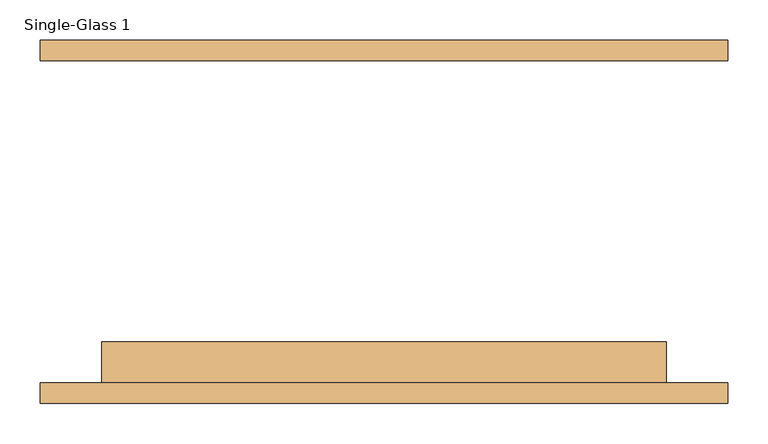
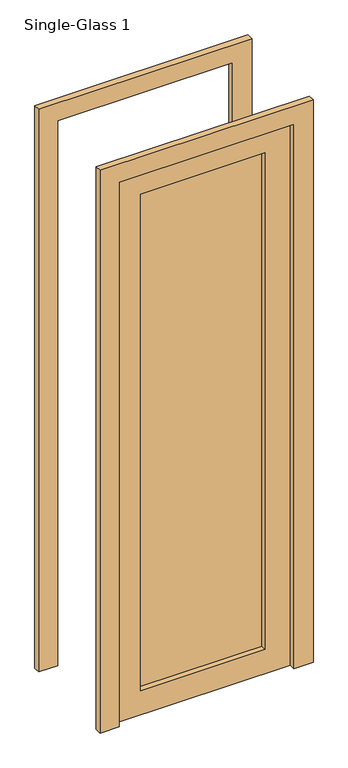
"""IFC4 building model written with IfcOpenShell, lengths in millimetres: door geometry, Single-Glass 1."""

import ifcopenshell
import ifcopenshell.guid

model = None  # the IFC model being written
_history = None  # IfcOwnerHistory: only IFC2X3 demands one
_inside = {}  # id of a spatial element -> (the spatial element, [elements in it])
_under = {}  # id of a project, library or spatial element -> (it, [spatial elements below it])
_declared = {}  # id of a project -> (the project, [libraries it declares])
_typed = {}  # id of a type object -> (the type object, [elements of that type])
_made_of = {}  # id of a material, layer set ... -> (it, [elements and type objects made of it])


def new_model(schema):
    """Start an empty IFC model of exactly this schema.

    Asked for "IFC4X3", IfcOpenShell would pick the latest addendum, in which some entities
    have other attributes; the version numbers below select the first issue.
    IFC2X3 requires an IfcOwnerHistory on every rooted entity: one is made here for all.
    """
    global model, _history
    if schema == "IFC4X3":
        model = ifcopenshell.file(schema_version=(4, 3, 0, 0))
    else:
        model = ifcopenshell.file(schema=schema)
    _inside.clear()
    _under.clear()
    _declared.clear()
    _typed.clear()
    _made_of.clear()
    _history = None
    if model.schema == "IFC2X3":
        org = make("IfcOrganization", Name="unknown")
        user = make(
            "IfcPersonAndOrganization",
            ThePerson=make("IfcPerson", FamilyName="unknown"),
            TheOrganization=org,
        )
        app = make(
            "IfcApplication",
            ApplicationDeveloper=org,
            Version="unknown",
            ApplicationFullName="unknown",
            ApplicationIdentifier="unknown",
        )
        _history = make(
            "IfcOwnerHistory",
            OwningUser=user,
            OwningApplication=app,
            ChangeAction="ADDED",
            CreationDate=0,
        )
    return model


def make(cls, **values):
    """One entity of the class cls with the attributes given. An attribute that is None is left unset."""
    return model.create_entity(
        cls, **{name: value for name, value in values.items() if value is not None}
    )


def rooted(cls, **values):
    """An entity with a GlobalId (a new one), such as an element, a storey or a relation."""
    return make(cls, GlobalId=ifcopenshell.guid.new(), OwnerHistory=_history, **values)


def si_unit(unit_type, name, prefix=None):
    """IfcSIUnit, for example si_unit("LENGTHUNIT", "METRE", prefix="MILLI")."""
    return make("IfcSIUnit", UnitType=unit_type, Prefix=prefix, Name=name)


def assignment(units):
    """IfcUnitAssignment: the units of a project."""
    return None if units is None else make("IfcUnitAssignment", Units=units)


def point(xyz):
    """IfcCartesianPoint."""
    return None if xyz is None else make("IfcCartesianPoint", Coordinates=xyz)


def direction(xyz):
    """IfcDirection."""
    return None if xyz is None else make("IfcDirection", DirectionRatios=xyz)


def frame(location, z_axis=None, x_axis=None):
    """IfcAxis2Placement3D, a coordinate frame: its origin and axes. An axis left out is left unset."""
    return make(
        "IfcAxis2Placement3D",
        Location=point(location),
        Axis=direction(z_axis),
        RefDirection=direction(x_axis),
    )


def origin():
    """The frame at (0, 0, 0) with its axes left unset."""
    return frame((0.0, 0.0, 0.0))


def place(relative_to, where):
    """IfcLocalPlacement: puts the frame where relative to a parent placement (None: the world)."""
    return make(
        "IfcLocalPlacement", PlacementRelTo=relative_to, RelativePlacement=where
    )


def context(
    kind, dimensions, precision=None, world=None, true_north=None, identifier=None
):
    """IfcGeometricRepresentationContext, for example the 3D "Model" context."""
    return make(
        "IfcGeometricRepresentationContext",
        ContextIdentifier=identifier,
        ContextType=kind,
        CoordinateSpaceDimension=dimensions,
        Precision=precision,
        WorldCoordinateSystem=world,
        TrueNorth=true_north,
    )


def project(units=None, contexts=None):
    """IfcProject with its units and contexts."""
    return rooted(
        "IfcProject",
        Name="project",
        RepresentationContexts=contexts,
        UnitsInContext=assignment(units),
    )


def spatial(cls, under=None, at=None, **own):
    """A site, building, storey or space (cls), placed at a placement, below another one or the project."""
    s = rooted(cls, ObjectPlacement=at, **own)
    if under is not None:
        _under.setdefault(under.id(), (under, []))[1].append(s)
    return s


def polyline(points):
    """IfcPolyline through the points."""
    return make("IfcPolyline", Points=[point(p) for p in points])


def outline(outer, holes=None, kind="AREA"):
    """IfcArbitraryClosedProfileDef: a profile drawn as a closed curve; with holes, ...WithVoids."""
    if holes is None:
        return make("IfcArbitraryClosedProfileDef", ProfileType=kind, OuterCurve=outer)
    return make(
        "IfcArbitraryProfileDefWithVoids",
        ProfileType=kind,
        OuterCurve=outer,
        InnerCurves=holes,
    )


def extrude(swept, where, along, depth):
    """IfcExtrudedAreaSolid: the profile swept, set in the frame where, extruded along a direction by depth."""
    return make(
        "IfcExtrudedAreaSolid",
        SweptArea=swept,
        Position=where,
        ExtrudedDirection=direction(along),
        Depth=depth,
    )


def shape(context_of_items, identifier, shape_type, items):
    """IfcShapeRepresentation: the items that make up one representation, for example the "Body"."""
    return make(
        "IfcShapeRepresentation",
        ContextOfItems=context_of_items,
        RepresentationIdentifier=identifier,
        RepresentationType=shape_type,
        Items=items,
    )


def source(mapping_origin, context_of_items, identifier, shape_type, items):
    """IfcRepresentationMap: a shape defined once, which mapped items show again and again."""
    return make(
        "IfcRepresentationMap",
        MappingOrigin=mapping_origin,
        MappedRepresentation=shape(context_of_items, identifier, shape_type, items),
    )


def transform(
    local_origin,
    x_axis=None,
    y_axis=None,
    z_axis=None,
    scale=None,
    scale2=None,
    scale3=None,
    uniform=True,
):
    """IfcCartesianTransformationOperator3D, or its non-uniform kind. x_axis, y_axis, z_axis: its Axis1, 2, 3."""
    if uniform:
        return make(
            "IfcCartesianTransformationOperator3D",
            Axis1=direction(x_axis),
            Axis2=direction(y_axis),
            LocalOrigin=point(local_origin),
            Scale=scale,
            Axis3=direction(z_axis),
        )
    return make(
        "IfcCartesianTransformationOperator3DnonUniform",
        Axis1=direction(x_axis),
        Axis2=direction(y_axis),
        LocalOrigin=point(local_origin),
        Scale=scale,
        Axis3=direction(z_axis),
        Scale2=scale2,
        Scale3=scale3,
    )


def mapped(mapping_source, mapping_target):
    """IfcMappedItem: shows the shape of a source again, moved by a transform."""
    return make(
        "IfcMappedItem", MappingSource=mapping_source, MappingTarget=mapping_target
    )


def made_of(thing, what):
    """Note that an element or type object is made of a material, layer set ...; save() writes the relation."""
    if what is not None:
        _made_of.setdefault(what.id(), (what, []))[1].append(thing)
    return thing


def element(
    cls,
    number,
    at=None,
    inside=None,
    cuts=None,
    type_object=None,
    material=None,
    context=None,
    identifier="Body",
    shape_type=None,
    held_by="IfcProductDefinitionShape",
    body=None,
    shapes=None,
    **own,
):
    """One element of the class cls, such as IfcWall. Its Tag is "e" and its number.

    at: its placement. inside: the storey or other place that contains it. cuts: it is an
    opening in that element (IfcRelVoidsElement). A single representation is given by context,
    identifier, shape_type and body (its items); several are given by shapes. held_by: the class
    of the entity that holds the representations. save() writes the other relations.
    """
    e = rooted(cls, Tag="e%d" % number, ObjectPlacement=at, **own)
    if body is not None:
        shapes = [shape(context, identifier, shape_type, body)]
    if shapes is not None:
        e.Representation = make(held_by, Representations=shapes)
    if inside is not None:
        _inside.setdefault(inside.id(), (inside, []))[1].append(e)
    if cuts is not None:
        rooted(
            "IfcRelVoidsElement", RelatingBuildingElement=cuts, RelatedOpeningElement=e
        )
    if type_object is not None:
        _typed.setdefault(type_object.id(), (type_object, []))[1].append(e)
    return made_of(e, material)


def aggregate(whole, parts):
    """IfcRelAggregates: a whole, such as a stair, and the parts it consists of."""
    return rooted("IfcRelAggregates", RelatingObject=whole, RelatedObjects=parts)


def save(model, path):
    """Write the relations noted so far, then the file.

    IfcRelAggregates (storeys below a building ...), IfcRelContainedInSpatialStructure (elements
    in a storey), IfcRelDefinesByType, IfcRelAssociatesMaterial and IfcRelDeclares: one each for
    every whole, place, type object, material and project.
    """
    for whole, parts in _under.values():
        aggregate(whole, parts)
    for where, things in _inside.values():
        rooted(
            "IfcRelContainedInSpatialStructure",
            RelatedElements=things,
            RelatingStructure=where,
        )
    for kind, things in _typed.values():
        rooted("IfcRelDefinesByType", RelatedObjects=things, RelatingType=kind)
    for what, things in _made_of.values():
        rooted("IfcRelAssociatesMaterial", RelatedObjects=things, RelatingMaterial=what)
    for by, libraries in _declared.values():
        rooted("IfcRelDeclares", RelatingContext=by, RelatedDefinitions=libraries)
    model.write(path)


def single_glass_1_c2404ee7(model_context):
    return source(origin(), model_context, "Body", "SweptSolid", [
        extrude(outline(polyline([(2300.0, 350.0), (0.0, 350.0), (0.0, 426.2), (2376.2, 426.2), (2376.2, -426.2), (0.0, -426.2), (0.0, -350.0), (2300.0, -350.0), (2300.0, 350.0)])), frame((0.0, 200.0, 0.0), z_axis=(0.0, 1.0, 0.0), x_axis=(0.0, 0.0, 1.0)), (0.0, 0.0, 1.0), 25.4),
        extrude(outline(polyline([(2300.0, 350.0), (0.0, 350.0), (0.0, 426.2), (2376.2, 426.2), (2376.2, -426.2), (0.0, -426.2), (0.0, -350.0), (2300.0, -350.0), (2300.0, 350.0)])), frame((0.0, -225.4, 0.0), z_axis=(0.0, 1.0, 0.0), x_axis=(0.0, 0.0, 1.0)), (0.0, 0.0, 1.0), 25.4),
        extrude(outline(polyline([(248.4, -171.425), (248.4, -177.775), (-248.4, -177.775), (-248.4, -171.425), (248.4, -171.425)])), frame((0.0, 0.0, 101.6), z_axis=(0.0, 0.0, 1.0), x_axis=(1.0, 0.0, 0.0)), (0.0, 0.0, 1.0), 2096.8),
        extrude(outline(polyline([(2300.0, 350.0), (2300.0, -350.0), (0.0, -350.0), (0.0, 350.0), (2300.0, 350.0)]), holes=[polyline([(2198.4, -248.4), (2198.4, 248.4), (101.6, 248.4), (101.6, -248.4), (2198.4, -248.4)])]), frame((0.0, -200.0, 0.0), z_axis=(0.0, 1.0, 0.0), x_axis=(0.0, 0.0, 1.0)), (0.0, 0.0, 1.0), 50.8),
    ])


if __name__ == "__main__":
    model = new_model("IFC4")
    model_context = context("Model", 3, world=origin())
    ifc_project = project(units=[si_unit("LENGTHUNIT", "METRE", prefix="MILLI")], contexts=[model_context])
    site = spatial("IfcSite", under=ifc_project)
    building = spatial("IfcBuilding", under=site)
    placement = place(None, origin())
    single_glass_1_shape = single_glass_1_c2404ee7(model_context)
    element("IfcDoor", 1, ObjectType="Single-Glass 1", at=placement, inside=building, context=model_context, shape_type="MappedRepresentation", body=[
        mapped(single_glass_1_shape, transform((0.0, 0.0, 0.0), x_axis=(1.0, 0.0, 0.0), y_axis=(0.0, 1.0, 0.0), z_axis=(0.0, 0.0, 1.0))),
    ])
    save(model, "model.ifc")
